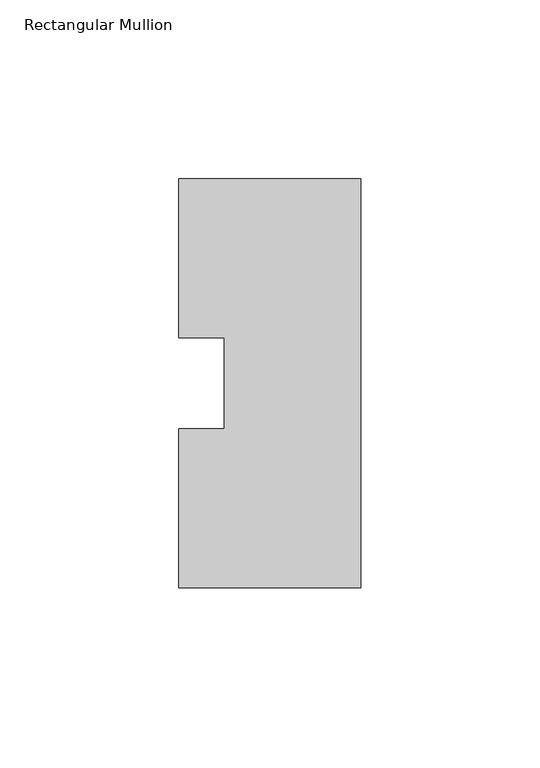
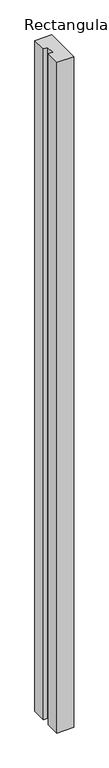
"""IFC4 building model written with IfcOpenShell, lengths in millimetres: member geometry, Rectangular Mullion."""

from ifc_helpers import new_model, si_unit, frame, origin, place, context, project, spatial, polyline, outline, extrude, source, transform, mapped, element, save


def rectangular_mullion_10108b3a(model_context):
    return source(origin(), model_context, "Body", "SweptSolid", [
        extrude(outline(polyline([(-25.4, 57.148246), (25.4, 57.148246), (25.4, -57.148246), (-25.4, -57.148246), (-25.4, -12.7), (-12.7000532, -12.7), (-12.7000532, 12.7), (-25.4, 12.7), (-25.4, 57.148246)])), frame((0.0, 0.0, -2133.6), z_axis=(0.0, 0.0, 1.0), x_axis=(1.0, 0.0, 0.0)), (0.0, 0.0, 1.0), 2133.6),
    ])


if __name__ == "__main__":
    model = new_model("IFC4")
    model_context = context("Model", 3, world=origin())
    ifc_project = project(units=[si_unit("LENGTHUNIT", "METRE", prefix="MILLI")], contexts=[model_context])
    site = spatial("IfcSite", under=ifc_project)
    building = spatial("IfcBuilding", under=site)
    placement = place(None, origin())
    rectangular_mullion_shape = rectangular_mullion_10108b3a(model_context)
    element("IfcMember", 1, ObjectType="Rectangular Mullion", at=placement, inside=building, context=model_context, shape_type="MappedRepresentation", body=[
        mapped(rectangular_mullion_shape, transform((0.0, 0.0, 0.0), x_axis=(1.0, 0.0, 0.0), y_axis=(0.0, 1.0, 0.0), z_axis=(0.0, 0.0, 1.0))),
    ])
    save(model, "model.ifc")
